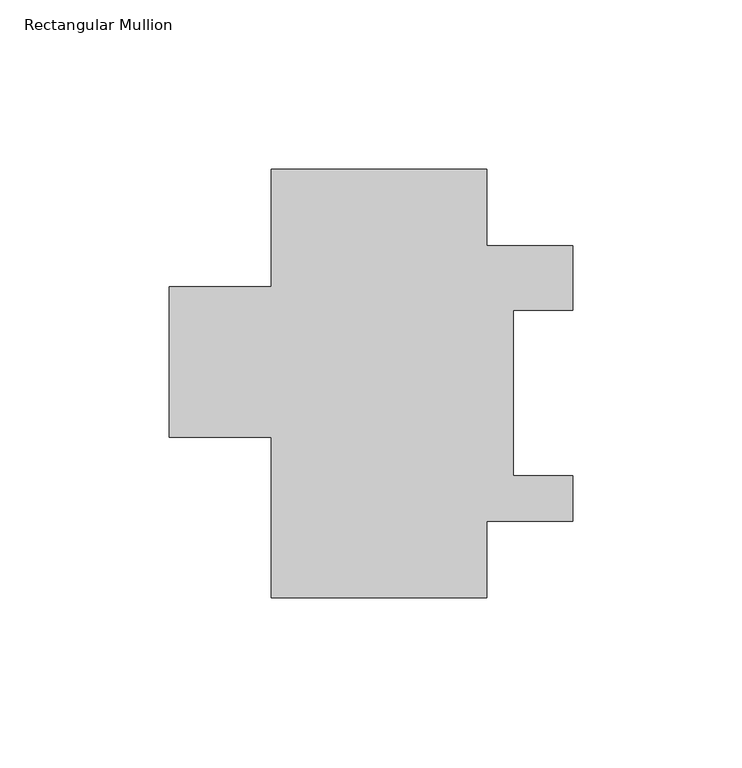
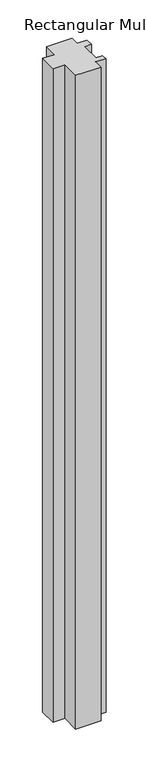
"""IFC4 building model written with IfcOpenShell, lengths in millimetres: member geometry, Rectangular Mullion."""

from ifc_helpers import new_model, si_unit, frame, origin, place, context, project, spatial, polyline, outline, extrude, source, transform, mapped, element, save


def rectangular_mullion_da6c7281(model_context):
    return source(origin(), model_context, "Body", "SweptSolid", [
        extrude(outline(polyline([(0.0, 126.349125), (0.0, 103.793925), (25.4, 103.793925), (25.4, 84.743925), (7.9248, 84.743925), (7.9248, 35.925125), (25.4, 35.925125), (25.4, 22.412325), (0.0, 22.412325), (0.0, -0.142875), (-63.5, -0.142875), (-63.5, 47.228125), (-93.6752, 47.228125), (-93.6752, 91.678125), (-63.5, 91.678125), (-63.5, 126.349125), (0.0, 126.349125)])), frame((0.0, 0.0, -1739.9), z_axis=(0.0, 0.0, 1.0), x_axis=(1.0, 0.0, 0.0)), (0.0, 0.0, 1.0), 1739.9),
    ])


if __name__ == "__main__":
    model = new_model("IFC4")
    model_context = context("Model", 3, world=origin())
    ifc_project = project(units=[si_unit("LENGTHUNIT", "METRE", prefix="MILLI")], contexts=[model_context])
    site = spatial("IfcSite", under=ifc_project)
    building = spatial("IfcBuilding", under=site)
    placement = place(None, origin())
    rectangular_mullion_shape = rectangular_mullion_da6c7281(model_context)
    element("IfcMember", 1, ObjectType="Rectangular Mullion", at=placement, inside=building, context=model_context, shape_type="MappedRepresentation", body=[
        mapped(rectangular_mullion_shape, transform((0.0, 0.0, 0.0), x_axis=(1.0, 0.0, 0.0), y_axis=(0.0, 1.0, 0.0), z_axis=(0.0, 0.0, 1.0))),
    ])
    save(model, "model.ifc")
